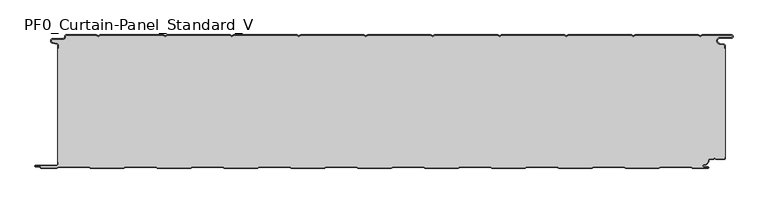
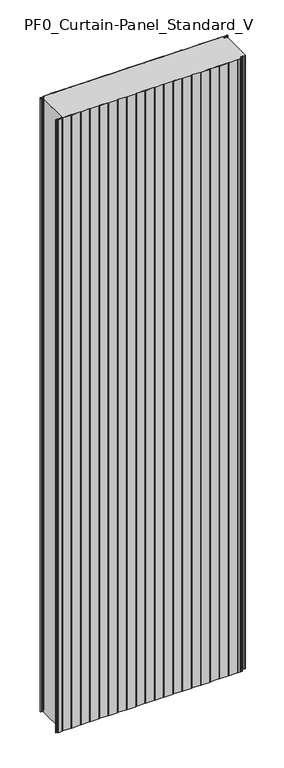
"""IFC4 building model written with IfcOpenShell, lengths in millimetres: plate geometry, PF0_Curtain-Panel_Standard_V."""

from ifc_helpers import new_model, si_unit, point, frame_2d, origin, origin_with_axes, place, context, project, spatial, polyline, circle_curve, trimmed, segment, composite_curve, outline, extrude, source, transform, mapped, element, save


def pf0_curtain_panel_standard_v_0092dcda(model_context):
    return source(origin(), model_context, "Body", "SweptSolid", [
        extrude(outline(composite_curve([segment(trimmed(circle_curve(frame_2d((-502.0, -15.878557)), 2.0), [point((-500.0, -15.878557))], [point((-501.5500978, -13.9298169))], True, "CARTESIAN"), True, "CONTINUOUS"), segment(polyline([(-501.5500978, -13.9298169), (-507.7098239, -12.507732)]), True, "CONTINUOUS"), segment(trimmed(circle_curve(frame_2d((-506.9, -9.0)), 3.6), [point((-507.7098239, -12.507732))], [point((-506.9, -5.4))], False, "CARTESIAN"), True, "CONTINUOUS"), segment(polyline([(-506.9, -5.4), (-491.4, -5.4)]), True, "CONTINUOUS"), segment(trimmed(circle_curve(frame_2d((-491.4, -3.4)), 2.0), [point((-491.4, -5.4))], [point((-489.4, -3.4))], True, "CARTESIAN"), True, "CONTINUOUS"), segment(polyline([(-489.4, -3.4), (-489.4, -2.0)]), True, "CONTINUOUS"), segment(trimmed(circle_curve(frame_2d((-487.4, -2.0)), 2.0), [point((-489.4, -2.0))], [point((-487.4, 0.0))], False, "CARTESIAN"), True, "CONTINUOUS"), segment(polyline([(-487.4, 0.0), (-442.0999995, 0.0), (-439.4, -1.5588455), (-436.7000005, 0.0), (-342.0999995, 0.0), (-339.4, -1.5588455), (-336.7000005, 0.0), (-242.0999995, 0.0), (-239.4, -1.5588455), (-236.7000005, 0.0), (-142.0999995, 0.0), (-139.4, -1.5588455), (-136.7000005, 0.0), (-42.0999995, 0.0), (-39.4, -1.5588455), (-36.7000005, 0.0), (57.9000005, 0.0), (60.6, -1.5588455), (63.2999995, 0.0), (157.9000005, 0.0), (160.6, -1.5588455), (163.2999995, 0.0), (257.9000005, 0.0), (260.6, -1.5588455), (263.2999995, 0.0), (357.9000005, 0.0), (360.6, -1.5588455), (363.2999995, 0.0), (457.9000005, 0.0), (460.6, -1.5588455), (463.2999995, 0.0), (507.268846, 0.0)]), True, "CONTINUOUS"), segment(trimmed(circle_curve(frame_2d((507.268846, -2.5)), 2.5), [point((507.268846, 0.0))], [point((507.268846, -5.0))], False, "CARTESIAN"), True, "CONTINUOUS"), segment(polyline([(507.268846, -5.0), (490.268846, -5.0)]), True, "CONTINUOUS"), segment(trimmed(circle_curve(frame_2d((490.268846, -9.0)), 4.0), [point((490.268846, -5.0))], [point((489.574253, -12.939231))], True, "CARTESIAN"), True, "CONTINUOUS"), segment(polyline([(489.574253, -12.939231), (496.0203315, -14.0758491)]), True, "CONTINUOUS"), segment(trimmed(circle_curve(frame_2d((495.568846, -16.6363492)), 2.6), [point((496.0203315, -14.0758491))], [point((498.168846, -16.6363492))], False, "CARTESIAN"), True, "CONTINUOUS"), segment(polyline([(498.168846, -16.6363492), (498.168846, -20.0), (497.368846, -20.0), (497.368846, -16.6363492)]), True, "CONTINUOUS"), segment(trimmed(circle_curve(frame_2d((495.568846, -16.6363492)), 1.8), [point((497.368846, -16.6363492))], [point((495.8814129, -14.8636953))], True, "CARTESIAN"), True, "CONTINUOUS"), segment(polyline([(495.8814129, -14.8636953), (489.4353344, -13.7270772)]), True, "CONTINUOUS"), segment(trimmed(circle_curve(frame_2d((490.268846, -9.0)), 4.8), [point((489.4353344, -13.7270772))], [point((490.268846, -4.2))], False, "CARTESIAN"), True, "CONTINUOUS"), segment(polyline([(490.268846, -4.2), (507.268846, -4.2)]), True, "CONTINUOUS"), segment(trimmed(circle_curve(frame_2d((507.268846, -2.5)), 1.7), [point((507.268846, -4.2))], [point((507.268846, -0.8))], True, "CARTESIAN"), True, "CONTINUOUS"), segment(polyline([(507.268846, -0.8), (463.5143588, -0.8), (460.6, -2.482606), (457.6856412, -0.8), (363.5143588, -0.8), (360.6, -2.482606), (357.6856412, -0.8), (263.5143588, -0.8), (260.6, -2.482606), (257.6856412, -0.8), (163.5143588, -0.8), (160.6, -2.482606), (157.6856412, -0.8), (63.5143588, -0.8), (60.6, -2.482606), (57.6856412, -0.8), (-36.4856412, -0.8), (-39.4, -2.482606), (-42.3143588, -0.8), (-136.4856412, -0.8), (-139.4, -2.482606), (-142.3143588, -0.8), (-236.4856412, -0.8), (-239.4, -2.482606), (-242.3143588, -0.8), (-336.4856412, -0.8), (-339.4, -2.482606), (-342.3143588, -0.8), (-436.4856412, -0.8), (-439.4, -2.482606), (-442.3143588, -0.8), (-487.4, -0.8)]), True, "CONTINUOUS"), segment(trimmed(circle_curve(frame_2d((-487.4, -2.0)), 1.2), [point((-487.4, -0.8))], [point((-488.6, -2.0))], True, "CARTESIAN"), True, "CONTINUOUS"), segment(polyline([(-488.6, -2.0), (-488.6, -3.4)]), True, "CONTINUOUS"), segment(trimmed(circle_curve(frame_2d((-491.4, -3.4)), 2.8), [point((-488.6, -3.4))], [point((-491.4, -6.2))], False, "CARTESIAN"), True, "CONTINUOUS"), segment(polyline([(-491.4, -6.2), (-506.9, -6.2)]), True, "CONTINUOUS"), segment(trimmed(circle_curve(frame_2d((-506.9, -9.0)), 2.8), [point((-506.9, -6.2))], [point((-507.529863, -11.7282362))], True, "CARTESIAN"), True, "CONTINUOUS"), segment(polyline([(-507.529863, -11.7282362), (-501.370137, -13.150321)]), True, "CONTINUOUS"), segment(trimmed(circle_curve(frame_2d((-502.0, -15.878557)), 2.8), [point((-501.370137, -13.150321))], [point((-499.2, -15.878557))], False, "CARTESIAN"), True, "CONTINUOUS"), segment(polyline([(-499.2, -15.878557), (-499.2, -20.0), (-500.0, -20.0), (-500.0, -15.878557)]), True, "CONTINUOUS")], self_intersect=False)), origin_with_axes(), (0.0, 0.0, 1.0), 3500.0),
        extrude(outline(composite_curve([segment(polyline([(-499.2, -190.0), (-500.0, -190.0), (-500.0, -20.0), (-499.2, -20.0), (-499.2, -15.878557)]), True, "CONTINUOUS"), segment(trimmed(circle_curve(frame_2d((-502.0, -15.878557)), 2.8), [point((-499.2, -15.878557))], [point((-501.370137, -13.1503208))], True, "CARTESIAN"), True, "CONTINUOUS"), segment(polyline([(-501.370137, -13.1503208), (-507.529863, -11.7282362)]), True, "CONTINUOUS"), segment(trimmed(circle_curve(frame_2d((-506.9, -9.0)), 2.8), [point((-507.529863, -11.7282362))], [point((-506.9, -6.2))], False, "CARTESIAN"), True, "CONTINUOUS"), segment(polyline([(-506.9, -6.2), (-491.4, -6.2)]), True, "CONTINUOUS"), segment(trimmed(circle_curve(frame_2d((-491.4, -3.4)), 2.8), [point((-491.4, -6.2))], [point((-488.6, -3.4))], True, "CARTESIAN"), True, "CONTINUOUS"), segment(polyline([(-488.6, -3.4), (-488.6, -2.0)]), True, "CONTINUOUS"), segment(trimmed(circle_curve(frame_2d((-487.4, -2.0)), 1.2), [point((-488.6, -2.0))], [point((-487.4, -0.8))], False, "CARTESIAN"), True, "CONTINUOUS"), segment(polyline([(-487.4, -0.8), (-442.3143588, -0.8), (-439.4, -2.482606), (-436.4856412, -0.8), (-342.3143588, -0.8), (-339.4, -2.482606), (-336.4856412, -0.8), (-242.3143588, -0.8), (-239.4, -2.482606), (-236.4856412, -0.8), (-142.3143588, -0.8), (-139.4, -2.482606), (-136.4856412, -0.8), (-42.3143588, -0.8), (-39.4, -2.482606), (-36.4856412, -0.8), (57.6856412, -0.8), (60.6, -2.482606), (63.5143588, -0.8), (157.6856412, -0.8), (160.6, -2.482606), (163.5143588, -0.8), (257.6856412, -0.8), (260.6, -2.482606), (263.5143588, -0.8), (357.6856412, -0.8), (360.6, -2.482606), (363.5143588, -0.8), (457.6856412, -0.8), (460.6, -2.482606), (463.5143588, -0.8), (507.268846, -0.8)]), True, "CONTINUOUS"), segment(trimmed(circle_curve(frame_2d((507.268846, -2.5)), 1.7), [point((507.268846, -0.8))], [point((507.268846, -4.2))], False, "CARTESIAN"), True, "CONTINUOUS"), segment(polyline([(507.268846, -4.2), (490.268846, -4.2)]), True, "CONTINUOUS"), segment(trimmed(circle_curve(frame_2d((490.268846, -9.0)), 4.8), [point((490.268846, -4.2))], [point((489.4353344, -13.7270772))], True, "CARTESIAN"), True, "CONTINUOUS"), segment(polyline([(489.4353344, -13.7270772), (495.8814129, -14.8636953)]), True, "CONTINUOUS"), segment(trimmed(circle_curve(frame_2d((495.568846, -16.6363492)), 1.8), [point((495.8814129, -14.8636953))], [point((497.368846, -16.6363492))], False, "CARTESIAN"), True, "CONTINUOUS"), segment(polyline([(497.368846, -16.6363492), (497.368846, -20.0), (498.168846, -20.0), (498.168846, -183.0), (497.368846, -183.0), (497.368846, -184.4)]), True, "CONTINUOUS"), segment(trimmed(circle_curve(frame_2d((495.568846, -184.4)), 1.8), [point((497.368846, -184.4))], [point((495.568846, -186.2))], False, "CARTESIAN"), True, "CONTINUOUS"), segment(polyline([(495.568846, -186.2), (484.0002158, -186.2), (482.168846, -184.3686285), (480.3374762, -186.2), (474.168846, -186.2)]), True, "CONTINUOUS"), segment(trimmed(circle_curve(frame_2d((474.168846, -188.0)), 1.8), [point((474.168846, -186.2))], [point((472.368846, -188.0))], True, "CARTESIAN"), True, "CONTINUOUS"), segment(polyline([(472.368846, -188.0), (472.368846, -188.8276204)]), True, "CONTINUOUS"), segment(trimmed(circle_curve(frame_2d((466.9964664, -188.8276204)), 5.3723796), [point((472.368846, -188.8276204))], [point((466.9964664, -194.2))], False, "CARTESIAN"), True, "CONTINUOUS"), segment(polyline([(466.9964664, -194.2), (466.168846, -194.2)]), True, "CONTINUOUS"), segment(trimmed(circle_curve(frame_2d((466.168846, -196.4)), 2.2), [point((466.168846, -194.2))], [point((466.168846, -198.6))], True, "CARTESIAN"), True, "CONTINUOUS"), segment(polyline([(466.168846, -198.6), (472.0579973, -198.6)]), True, "CONTINUOUS"), segment(trimmed(circle_curve(frame_2d((472.0579973, -198.9)), 0.3), [point((472.0579973, -198.6))], [point((472.0579973, -199.2))], False, "CARTESIAN"), True, "CONTINUOUS"), segment(polyline([(472.0579973, -199.2), (449.2152562, -199.2), (446.6171786, -197.7), (401.3884624, -197.7), (398.7903848, -199.2), (349.2152562, -199.2), (346.6171786, -197.7), (301.3884624, -197.7), (298.7903848, -199.2), (249.2152562, -199.2), (246.6171786, -197.7), (201.3884624, -197.7), (198.7903848, -199.2), (149.2152562, -199.2), (146.6171786, -197.7), (101.3884624, -197.7), (98.7903848, -199.2), (49.2152562, -199.2), (46.6171786, -197.7), (1.3884624, -197.7), (-1.2096152, -199.2), (-50.7847438, -199.2), (-53.3828214, -197.7), (-98.6115376, -197.7), (-101.2096152, -199.2), (-150.7847438, -199.2), (-153.3828214, -197.7), (-198.6115376, -197.7), (-201.2096152, -199.2), (-250.7847438, -199.2), (-253.3828214, -197.7), (-298.6115376, -197.7), (-301.2096152, -199.2), (-350.7847438, -199.2), (-353.3828214, -197.7), (-398.6115376, -197.7), (-401.2096152, -199.2), (-450.7847438, -199.2), (-453.3828214, -197.7), (-498.6115376, -197.7), (-501.2096152, -199.2), (-524.4, -199.2)]), True, "CONTINUOUS"), segment(trimmed(circle_curve(frame_2d((-524.4, -198.4)), 0.8), [point((-524.4, -199.2))], [point((-525.2, -198.4))], False, "CARTESIAN"), True, "CONTINUOUS"), segment(trimmed(circle_curve(frame_2d((-526.9, -198.6133333)), 1.7133333), [point((-525.2, -198.4))], [point((-526.9, -196.9))], True, "CARTESIAN"), True, "CONTINUOUS"), segment(polyline([(-526.9, -196.9), (-532.8700312, -196.9)]), True, "CONTINUOUS"), segment(trimmed(circle_curve(frame_2d((-532.8700312, -196.6)), 0.3), [point((-532.8700312, -196.9))], [point((-532.8700312, -196.3))], False, "CARTESIAN"), True, "CONTINUOUS"), segment(polyline([(-532.8700312, -196.3), (-502.0, -196.3)]), True, "CONTINUOUS"), segment(trimmed(circle_curve(frame_2d((-502.0, -193.5)), 2.8), [point((-502.0, -196.3))], [point((-499.2, -193.5))], True, "CARTESIAN"), True, "CONTINUOUS"), segment(polyline([(-499.2, -193.5), (-499.2, -190.0)]), True, "CONTINUOUS")], self_intersect=False)), origin_with_axes(), (0.0, 0.0, 1.0), 3500.0),
        extrude(outline(composite_curve([segment(polyline([(-500.0, -190.0), (-499.2, -190.0), (-499.2, -193.5)]), True, "CONTINUOUS"), segment(trimmed(circle_curve(frame_2d((-502.0, -193.5)), 2.8), [point((-499.2, -193.5))], [point((-502.0, -196.3))], False, "CARTESIAN"), True, "CONTINUOUS"), segment(polyline([(-502.0, -196.3), (-532.8700312, -196.3)]), True, "CONTINUOUS"), segment(trimmed(circle_curve(frame_2d((-532.8700312, -196.6)), 0.3), [point((-532.8700312, -196.3))], [point((-532.8700312, -196.9))], True, "CARTESIAN"), True, "CONTINUOUS"), segment(polyline([(-532.8700312, -196.9), (-526.9, -196.9)]), True, "CONTINUOUS"), segment(trimmed(circle_curve(frame_2d((-526.9, -198.6133333)), 1.7133333), [point((-526.9, -196.9))], [point((-525.2, -198.4))], False, "CARTESIAN"), True, "CONTINUOUS"), segment(trimmed(circle_curve(frame_2d((-524.4, -198.4)), 0.8), [point((-525.2, -198.4))], [point((-524.4, -199.2))], True, "CARTESIAN"), True, "CONTINUOUS"), segment(polyline([(-524.4, -199.2), (-501.2096152, -199.2), (-498.6115376, -197.7), (-453.3828214, -197.7), (-450.7847438, -199.2), (-401.2096152, -199.2), (-398.6115376, -197.7), (-353.3828214, -197.7), (-350.7847438, -199.2), (-301.2096152, -199.2), (-298.6115376, -197.7), (-253.3828214, -197.7), (-250.7847438, -199.2), (-201.2096152, -199.2), (-198.6115376, -197.7), (-153.3828214, -197.7), (-150.7847438, -199.2), (-101.2096152, -199.2), (-98.6115376, -197.7), (-53.3828214, -197.7), (-50.7847438, -199.2), (-1.2096152, -199.2), (1.3884624, -197.7), (46.6171786, -197.7), (49.2152562, -199.2), (98.7903848, -199.2), (101.3884624, -197.7), (146.6171786, -197.7), (149.2152562, -199.2), (198.7903848, -199.2), (201.3884624, -197.7), (246.6171786, -197.7), (249.2152562, -199.2), (298.7903848, -199.2), (301.3884624, -197.7), (346.6171786, -197.7), (349.2152562, -199.2), (398.7903848, -199.2), (401.3884624, -197.7), (446.6171786, -197.7), (449.2152562, -199.2), (472.0579973, -199.2)]), True, "CONTINUOUS"), segment(trimmed(circle_curve(frame_2d((472.0579973, -198.9)), 0.3), [point((472.0579973, -199.2))], [point((472.0579973, -198.6))], True, "CARTESIAN"), True, "CONTINUOUS"), segment(polyline([(472.0579973, -198.6), (466.168846, -198.6)]), True, "CONTINUOUS"), segment(trimmed(circle_curve(frame_2d((466.168846, -196.4)), 2.2), [point((466.168846, -198.6))], [point((466.168846, -194.2))], False, "CARTESIAN"), True, "CONTINUOUS"), segment(polyline([(466.168846, -194.2), (466.9964664, -194.2)]), True, "CONTINUOUS"), segment(trimmed(circle_curve(frame_2d((466.9964664, -188.8276204)), 5.3723796), [point((466.9964664, -194.2))], [point((472.368846, -188.8276204))], True, "CARTESIAN"), True, "CONTINUOUS"), segment(polyline([(472.368846, -188.8276204), (472.368846, -188.0)]), True, "CONTINUOUS"), segment(trimmed(circle_curve(frame_2d((474.168846, -188.0)), 1.8), [point((472.368846, -188.0))], [point((474.168846, -186.2))], False, "CARTESIAN"), True, "CONTINUOUS"), segment(polyline([(474.168846, -186.2), (480.3374762, -186.2), (482.168846, -184.3686285), (484.0002158, -186.2), (495.568846, -186.2)]), True, "CONTINUOUS"), segment(trimmed(circle_curve(frame_2d((495.568846, -184.4)), 1.8), [point((495.568846, -186.2))], [point((497.368846, -184.4))], True, "CARTESIAN"), True, "CONTINUOUS"), segment(polyline([(497.368846, -184.4), (497.368846, -183.0), (498.168846, -183.0), (498.168846, -184.4)]), True, "CONTINUOUS"), segment(trimmed(circle_curve(frame_2d((495.568846, -184.4)), 2.6), [point((498.168846, -184.4))], [point((495.568846, -187.0))], False, "CARTESIAN"), True, "CONTINUOUS"), segment(polyline([(495.568846, -187.0), (483.6688448, -187.0), (482.168846, -185.4999999), (480.6688472, -187.0), (474.168846, -187.0)]), True, "CONTINUOUS"), segment(trimmed(circle_curve(frame_2d((474.168846, -188.0)), 1.0), [point((474.168846, -187.0))], [point((473.168846, -188.0))], True, "CARTESIAN"), True, "CONTINUOUS"), segment(polyline([(473.168846, -188.0), (473.168846, -188.8276204)]), True, "CONTINUOUS"), segment(trimmed(circle_curve(frame_2d((466.9964664, -188.8276204)), 6.1723796), [point((473.168846, -188.8276204))], [point((466.9964664, -195.0))], False, "CARTESIAN"), True, "CONTINUOUS"), segment(polyline([(466.9964664, -195.0), (466.168846, -195.0)]), True, "CONTINUOUS"), segment(trimmed(circle_curve(frame_2d((466.168846, -196.5)), 1.5), [point((466.168846, -195.0))], [point((466.168846, -198.0))], True, "CARTESIAN"), True, "CONTINUOUS"), segment(polyline([(466.168846, -198.0), (472.168846, -198.0)]), True, "CONTINUOUS"), segment(trimmed(circle_curve(frame_2d((472.168846, -199.0)), 1.0), [point((472.168846, -198.0))], [point((472.168846, -200.0))], False, "CARTESIAN"), True, "CONTINUOUS"), segment(polyline([(472.168846, -200.0), (449.0008969, -200.0), (446.4028193, -198.5), (401.6028217, -198.5), (399.0047441, -200.0), (349.0008969, -200.0), (346.4028193, -198.5), (301.6028217, -198.5), (299.0047441, -200.0), (249.0008969, -200.0), (246.4028193, -198.5), (201.6028217, -198.5), (199.0047441, -200.0), (149.0008969, -200.0), (146.4028193, -198.5), (101.6028217, -198.5), (99.0047441, -200.0), (49.0008969, -200.0), (46.4028193, -198.5), (1.6028217, -198.5), (-0.9952559, -200.0), (-50.9991031, -200.0), (-53.5971807, -198.5), (-98.3971783, -198.5), (-100.9952559, -200.0), (-150.9991031, -200.0), (-153.5971807, -198.5), (-198.3971783, -198.5), (-200.9952559, -200.0), (-250.9991031, -200.0), (-253.5971807, -198.5), (-298.3971783, -198.5), (-300.9952559, -200.0), (-350.9991031, -200.0), (-353.5971807, -198.5), (-398.3971783, -198.5), (-400.9952559, -200.0), (-450.9991031, -200.0), (-453.5971807, -198.5), (-498.3971783, -198.5), (-500.9952559, -200.0), (-524.4, -200.0)]), True, "CONTINUOUS"), segment(trimmed(circle_curve(frame_2d((-524.4, -198.4)), 1.6), [point((-524.4, -200.0))], [point((-526.0, -198.4))], False, "CARTESIAN"), True, "CONTINUOUS"), segment(trimmed(circle_curve(frame_2d((-526.9, -198.4)), 0.9), [point((-526.0, -198.4))], [point((-526.9, -197.5))], True, "CARTESIAN"), True, "CONTINUOUS"), segment(polyline([(-526.9, -197.5), (-533.0, -197.5)]), True, "CONTINUOUS"), segment(trimmed(circle_curve(frame_2d((-533.0, -196.5)), 1.0), [point((-533.0, -197.5))], [point((-533.0, -195.5))], False, "CARTESIAN"), True, "CONTINUOUS"), segment(polyline([(-533.0, -195.5), (-502.0, -195.5)]), True, "CONTINUOUS"), segment(trimmed(circle_curve(frame_2d((-502.0, -193.5)), 2.0), [point((-502.0, -195.5))], [point((-500.0, -193.5))], True, "CARTESIAN"), True, "CONTINUOUS"), segment(polyline([(-500.0, -193.5), (-500.0, -190.0)]), True, "CONTINUOUS")], self_intersect=False)), origin_with_axes(), (0.0, 0.0, 1.0), 3500.0),
    ])


if __name__ == "__main__":
    model = new_model("IFC4")
    model_context = context("Model", 3, world=origin())
    ifc_project = project(units=[si_unit("LENGTHUNIT", "METRE", prefix="MILLI")], contexts=[model_context])
    site = spatial("IfcSite", under=ifc_project)
    building = spatial("IfcBuilding", under=site)
    placement = place(None, origin())
    pf0_curtain_panel_standard_v_shape = pf0_curtain_panel_standard_v_0092dcda(model_context)
    element("IfcPlate", 1, ObjectType="PF0_Curtain-Panel_Standard_V", at=placement, inside=building, context=model_context, shape_type="MappedRepresentation", body=[
        mapped(pf0_curtain_panel_standard_v_shape, transform((0.0, 0.0, 0.0), x_axis=(1.0, 0.0, 0.0), y_axis=(0.0, 1.0, 0.0), z_axis=(0.0, 0.0, 1.0))),
    ])
    save(model, "model.ifc")
